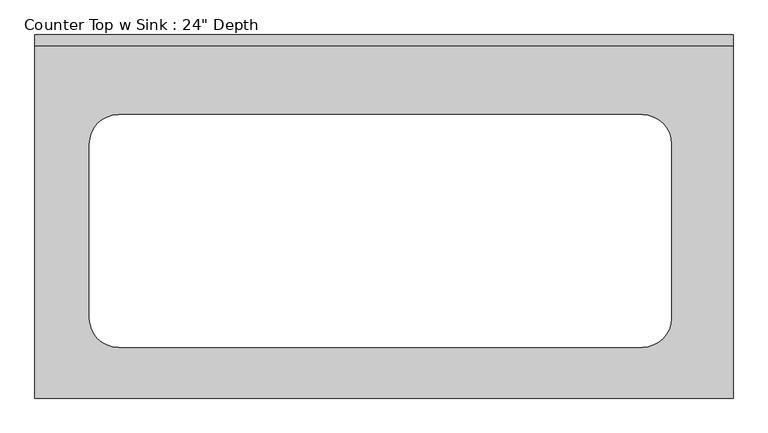
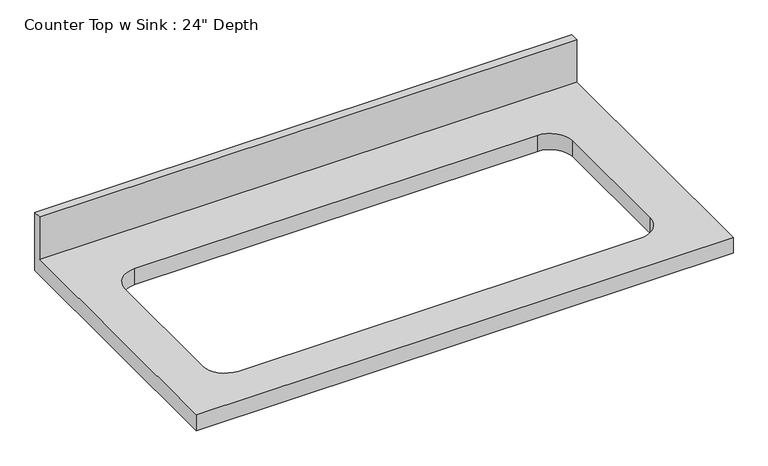
"""IFC4 building model written with IfcOpenShell, lengths in millimetres: furniture geometry."""

from ifc_helpers import new_model, si_unit, frame, origin, place, context, project, spatial, polyline, circle_curve, source, transform, mapped, element, save
from ifc_brep_helpers import plane_surface, revolved_surface, advanced_brep


def furniture_220949ea(model_context):
    return source(origin(), model_context, "Body", "AdvancedBrep", [
        advanced_brep(
        [(-1200.4622951, -635.0, 914.4), (18.7377049, -635.0, 914.4), (18.7377049, -19.05, 914.4), (-1200.4622951, -19.05, 914.4), (-1054.4122951, -139.7, 914.4), (-140.0122951, -139.7, 914.4), (-89.2122951, -190.5, 914.4), (-89.2122951, -495.3, 914.4), (-140.0122951, -546.1, 914.4), (-1054.4122951, -546.1, 914.4), (-1105.2122951, -495.3, 914.4), (-1105.2122951, -190.5, 914.4), (18.7377049, 0.0, 876.3), (18.7377049, -635.0, 876.3), (-1200.4622951, -635.0, 876.3), (-1200.4622951, 0.0, 876.3), (-140.0122951, -139.7, 876.3), (-1054.4122951, -139.7, 876.3), (-1105.2122951, -190.5, 876.3), (-1105.2122951, -495.3, 876.3), (-1054.4122951, -546.1, 876.3), (-140.0122951, -546.1, 876.3), (-89.2122951, -495.3, 876.3), (-89.2122951, -190.5, 876.3), (-1200.4622951, 0.0, 1016.0), (18.7377049, 0.0, 1016.0), (-1200.4622951, -19.05, 1016.0), (18.7377049, -19.05, 1016.0)],
        [
            (0, 1),
            (1, 2),
            (2, 3),
            (3, 0),
            (4, 5),
            (5, 6, circle_curve(frame((-140.0122951, -190.5, 914.4), z_axis=(0.0, 0.0, -1.0), x_axis=(1.0, 0.0, 0.0)), 50.8)),
            (6, 7),
            (7, 8, circle_curve(frame((-140.0122951, -495.3, 914.4), z_axis=(0.0, 0.0, -1.0), x_axis=(1.0, 0.0, 0.0)), 50.8)),
            (8, 9),
            (9, 10, circle_curve(frame((-1054.4122951, -495.3, 914.4), z_axis=(0.0, 0.0, -1.0), x_axis=(1.0, 0.0, 0.0)), 50.8)),
            (10, 11),
            (11, 4, circle_curve(frame((-1054.4122951, -190.5, 914.4), z_axis=(0.0, 0.0, -1.0), x_axis=(1.0, 0.0, 0.0)), 50.8)),
            (12, 13),
            (13, 14),
            (14, 15),
            (15, 12),
            (16, 17),
            (17, 18, circle_curve(frame((-1054.4122951, -190.5, 876.3), z_axis=(0.0, 0.0, 1.0), x_axis=(1.0, 0.0, 0.0)), 50.8)),
            (18, 19),
            (19, 20, circle_curve(frame((-1054.4122951, -495.3, 876.3), z_axis=(0.0, 0.0, 1.0), x_axis=(1.0, 0.0, 0.0)), 50.8)),
            (20, 21),
            (21, 22, circle_curve(frame((-140.0122951, -495.3, 876.3), z_axis=(0.0, 0.0, 1.0), x_axis=(1.0, 0.0, 0.0)), 50.8)),
            (22, 23),
            (23, 16, circle_curve(frame((-140.0122951, -190.5, 876.3), z_axis=(0.0, 0.0, 1.0), x_axis=(1.0, 0.0, 0.0)), 50.8)),
            (15, 24),
            (24, 25),
            (25, 12),
            (14, 0),
            (3, 26),
            (26, 24),
            (13, 1),
            (25, 27),
            (27, 2),
            (26, 27),
            (4, 17),
            (16, 5),
            (11, 18),
            (10, 19),
            (9, 20),
            (8, 21),
            (7, 22),
            (6, 23),
        ],
        [
            plane_surface(frame((-1200.4622951, 0.0, 914.4), z_axis=(0.0, 0.0, 1.0), x_axis=(-1.0, 0.0, 0.0))),
            plane_surface(frame((-1200.4622951, 0.0, 876.3), z_axis=(0.0, 0.0, -1.0), x_axis=(1.0, 0.0, 0.0))),
            plane_surface(frame((18.7377049, 0.0, 914.4), z_axis=(0.0, 1.0, 0.0), x_axis=(0.0, 0.0, -1.0))),
            plane_surface(frame((-1200.4622951, 0.0, 914.4), z_axis=(-1.0, 0.0, 0.0), x_axis=(0.0, 0.0, -1.0))),
            plane_surface(frame((-1200.4622951, -635.0, 914.4), z_axis=(0.0, -1.0, 0.0), x_axis=(0.0, 0.0, -1.0))),
            plane_surface(frame((18.7377049, -635.0, 914.4), z_axis=(1.0, 0.0, 0.0), x_axis=(0.0, 0.0, -1.0))),
            plane_surface(frame((-1200.4622951, 0.0, 1016.0), z_axis=(0.0, 0.0, 1.0), x_axis=(0.0, -1.0, 0.0))),
            plane_surface(frame((-1200.4622951, -19.05, 1016.0), z_axis=(0.0, -1.0, 0.0), x_axis=(0.0, 0.0, -1.0))),
            plane_surface(frame((-140.0122951, -139.7, 914.4), z_axis=(0.0, -1.0, 0.0), x_axis=(0.0, 0.0, -1.0))),
            revolved_surface(polyline([(-1003.6122951, -190.5, 914.4), (-1003.6122951, -190.5, 876.3)]), (-1054.4122951, -190.5, 876.3), (0.0, 0.0, 1.0)),
            plane_surface(frame((-1105.2122951, -190.5, 914.4), z_axis=(1.0, 0.0, 0.0), x_axis=(0.0, 0.0, -1.0))),
            revolved_surface(polyline([(-1003.6122951, -495.3, 914.4), (-1003.6122951, -495.3, 876.3)]), (-1054.4122951, -495.3, 876.3), (0.0, 0.0, 1.0)),
            plane_surface(frame((-1054.4122951, -546.1, 914.4), z_axis=(0.0, 1.0, 0.0), x_axis=(0.0, 0.0, -1.0))),
            revolved_surface(polyline([(-89.21229509999999, -495.3, 914.4), (-89.21229509999999, -495.3, 876.3)]), (-140.0122951, -495.3, 876.3), (0.0, 0.0, 1.0)),
            plane_surface(frame((-89.2122951, -495.3, 914.4), z_axis=(-1.0, 0.0, 0.0), x_axis=(0.0, 0.0, -1.0))),
            revolved_surface(polyline([(-89.21229509999999, -190.5, 914.4), (-89.21229509999999, -190.5, 876.3)]), (-140.0122951, -190.5, 876.3), (0.0, 0.0, 1.0)),
        ],
        [
            (0, [[1, 2, 3, 4], [5, 6, 7, 8, 9, 10, 11, 12]]),
            (1, [[13, 14, 15, 16], [17, 18, 19, 20, 21, 22, 23, 24]]),
            (2, [[-16, 25, 26, 27]]),
            (3, [[-15, 28, -4, 29, 30, -25]]),
            (4, [[-1, -28, -14, 31]]),
            (5, [[-13, -27, 32, 33, -2, -31]]),
            (6, [[-30, 34, -32, -26]]),
            (7, [[-34, -29, -3, -33]]),
            (8, [[35, -17, 36, -5]]),
            (9, [[-35, -12, 37, -18]]),
            (10, [[-37, -11, 38, -19]]),
            (11, [[-38, -10, 39, -20]]),
            (12, [[-39, -9, 40, -21]]),
            (13, [[-40, -8, 41, -22]]),
            (14, [[-41, -7, 42, -23]]),
            (15, [[-36, -24, -42, -6]]),
        ],
    ),
    ])


if __name__ == "__main__":
    model = new_model("IFC4")
    model_context = context("Model", 3, world=origin())
    ifc_project = project(units=[si_unit("LENGTHUNIT", "METRE", prefix="MILLI")], contexts=[model_context])
    site = spatial("IfcSite", under=ifc_project)
    building = spatial("IfcBuilding", under=site)
    placement = place(None, origin())
    furniture_shape = furniture_220949ea(model_context)
    element("IfcFurniture", 1, ObjectType="Counter Top w Sink : 24\" Depth", at=placement, inside=building, context=model_context, shape_type="MappedRepresentation", body=[
        mapped(furniture_shape, transform((0.0, 0.0, 0.0), x_axis=(1.0, 0.0, 0.0), y_axis=(0.0, 1.0, 0.0), z_axis=(0.0, 0.0, 1.0))),
    ])
    save(model, "model.ifc")
